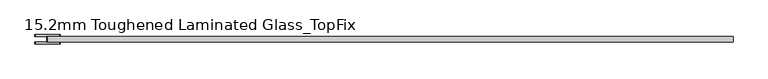
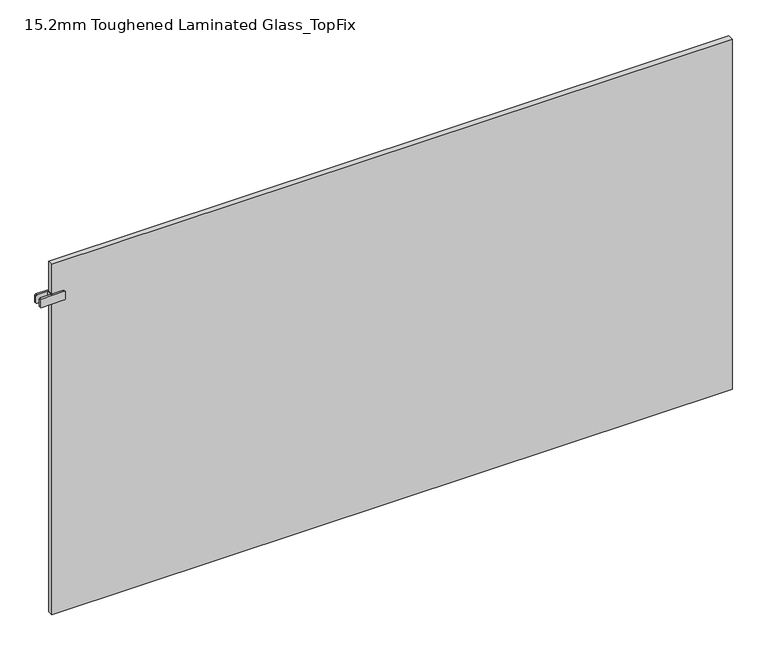
"""IFC4 building model written with IfcOpenShell, lengths in millimetres: plate geometry, 15.2mm Toughened Laminated Glass_TopFix."""

from ifc_helpers import new_model, si_unit, point, frame, frame_2d, origin, origin_with_axes, place, context, project, spatial, polyline, circle_curve, trimmed, segment, composite_curve, outline, extrude, source, transform, mapped, element, save


def plate_15_2mm_toughened_laminated_glass_topfix_00eb9ebb(model_context):
    return source(origin(), model_context, "Body", "SweptSolid", [
        extrude(outline(polyline([(-947.5000001, -7.6), (-947.5000001, 7.6), (-942.5000001, 7.6), (-942.5000001, -7.6), (-947.5000001, -7.6)])), frame((0.0, 0.0, 916.5), z_axis=(0.0, 0.0, 1.0), x_axis=(1.0, 0.0, 0.0)), (0.0, 0.0, 1.0), 25.0),
        extrude(outline(composite_curve([segment(trimmed(circle_curve(frame_2d((919.5, -913.0000001)), 3.0), [point((916.5, -913.0000001))], [point((919.5, -910.0000001))], False, "CARTESIAN"), True, "CONTINUOUS"), segment(polyline([(919.5, -910.0000001), (938.5, -910.0000001)]), True, "CONTINUOUS"), segment(trimmed(circle_curve(frame_2d((938.5, -913.0000001)), 3.0), [point((938.5, -910.0000001))], [point((941.5, -913.0000001))], False, "CARTESIAN"), True, "CONTINUOUS"), segment(polyline([(941.5, -913.0000001), (941.5, -977.0000001)]), True, "CONTINUOUS"), segment(trimmed(circle_curve(frame_2d((938.5, -977.0000001)), 3.0), [point((941.5, -977.0000001))], [point((938.5, -980.0000001))], False, "CARTESIAN"), True, "CONTINUOUS"), segment(polyline([(938.5, -980.0000001), (919.5, -980.0000001)]), True, "CONTINUOUS"), segment(trimmed(circle_curve(frame_2d((919.5, -977.0000001)), 3.0), [point((919.5, -980.0000001))], [point((916.5, -977.0000001))], False, "CARTESIAN"), True, "CONTINUOUS"), segment(polyline([(916.5, -977.0000001), (916.5, -913.0000001)]), True, "CONTINUOUS")], self_intersect=False)), frame((0.0, 7.6, 0.0), z_axis=(0.0, 1.0, 0.0), x_axis=(0.0, 0.0, 1.0)), (0.0, 0.0, 1.0), 5.0),
        extrude(outline(composite_curve([segment(trimmed(circle_curve(frame_2d((919.5, -913.0000001)), 3.0), [point((916.5, -913.0000001))], [point((919.5, -910.0000001))], False, "CARTESIAN"), True, "CONTINUOUS"), segment(polyline([(919.5, -910.0000001), (938.5, -910.0000001)]), True, "CONTINUOUS"), segment(trimmed(circle_curve(frame_2d((938.5, -913.0000001)), 3.0), [point((938.5, -910.0000001))], [point((941.5, -913.0000001))], False, "CARTESIAN"), True, "CONTINUOUS"), segment(polyline([(941.5, -913.0000001), (941.5, -977.0000001)]), True, "CONTINUOUS"), segment(trimmed(circle_curve(frame_2d((938.5, -977.0000001)), 3.0), [point((941.5, -977.0000001))], [point((938.5, -980.0000001))], False, "CARTESIAN"), True, "CONTINUOUS"), segment(polyline([(938.5, -980.0000001), (919.5, -980.0000001)]), True, "CONTINUOUS"), segment(trimmed(circle_curve(frame_2d((919.5, -977.0000001)), 3.0), [point((919.5, -980.0000001))], [point((916.5, -977.0000001))], False, "CARTESIAN"), True, "CONTINUOUS"), segment(polyline([(916.5, -977.0000001), (916.5, -913.0000001)]), True, "CONTINUOUS")], self_intersect=False)), frame((0.0, -12.6, 0.0), z_axis=(0.0, 1.0, 0.0), x_axis=(0.0, 0.0, 1.0)), (0.0, 0.0, 1.0), 5.0),
        extrude(outline(polyline([(945.0000001, 7.6), (945.0000001, -7.6), (-945.0000001, -7.6), (-945.0000001, 7.6), (945.0000001, 7.6)])), origin_with_axes(), (0.0, 0.0, 1.0), 1029.0),
    ])


if __name__ == "__main__":
    model = new_model("IFC4")
    model_context = context("Model", 3, world=origin())
    ifc_project = project(units=[si_unit("LENGTHUNIT", "METRE", prefix="MILLI")], contexts=[model_context])
    site = spatial("IfcSite", under=ifc_project)
    building = spatial("IfcBuilding", under=site)
    placement = place(None, origin())
    plate_15_2mm_toughened_laminated_glass_topfix_shape = plate_15_2mm_toughened_laminated_glass_topfix_00eb9ebb(model_context)
    element("IfcPlate", 1, ObjectType="15.2mm Toughened Laminated Glass_TopFix", at=placement, inside=building, context=model_context, shape_type="MappedRepresentation", body=[
        mapped(plate_15_2mm_toughened_laminated_glass_topfix_shape, transform((0.0, 0.0, 0.0), x_axis=(1.0, 0.0, 0.0), y_axis=(0.0, 1.0, 0.0), z_axis=(0.0, 0.0, 1.0))),
    ])
    save(model, "model.ifc")
